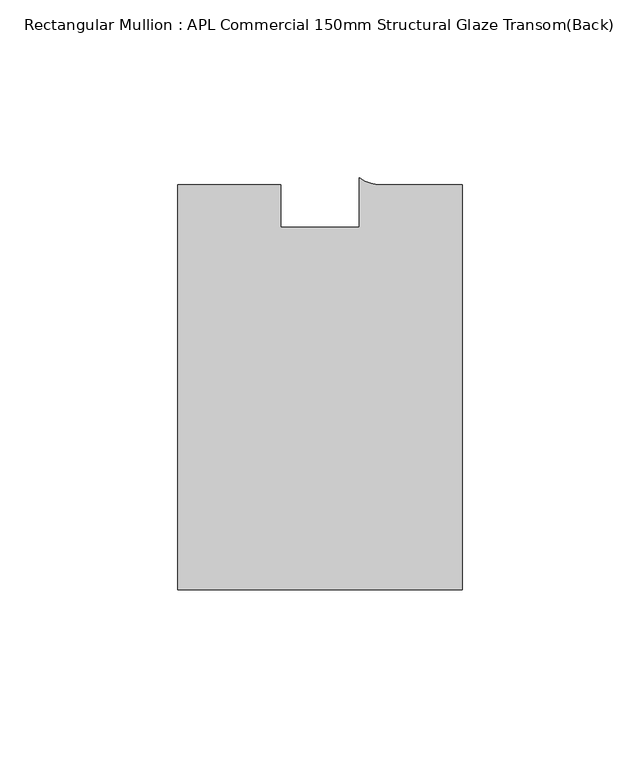
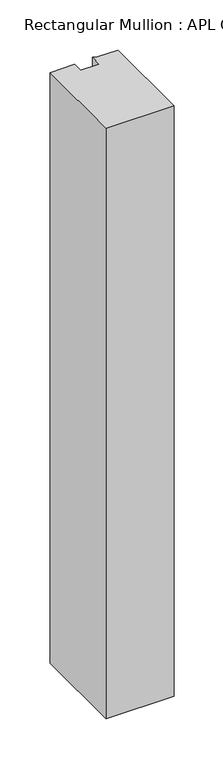
"""IFC4 building model written with IfcOpenShell, lengths in millimetres: member geometry, Rectangular Mullion : APL Commercial 150mm Structural Glaze Transom(Back)."""

from ifc_helpers import new_model, si_unit, point, frame, frame_2d, origin, place, context, project, spatial, polyline, circle_curve, trimmed, segment, composite_curve, outline, extrude, source, transform, mapped, element, save


def rectangular_mullion_apl_commercial_150mm_structural_glaze_0ca59d24(model_context):
    return source(origin(), model_context, "Body", "SweptSolid", [
        extrude(outline(composite_curve([segment(polyline([(40.0, -128.9999975), (-40.0, -128.9999975), (-40.0, -15.0000829), (-11.0000151, -15.0000829), (-11.0000151, -27.0), (11.0000151, -27.0), (11.0000151, -13.0673455)]), True, "CONTINUOUS"), segment(trimmed(circle_curve(frame_2d((17.1097719, -4.581653)), 10.4563907), [point((11.0000151, -13.0673455))], [point((17.9999542, -15.0000829))], True, "CARTESIAN"), True, "CONTINUOUS"), segment(polyline([(17.9999542, -15.0000829), (40.0, -15.0000829), (40.0, -128.9999975)]), True, "CONTINUOUS")], self_intersect=False)), frame((0.0, 0.0, -733.4594304), z_axis=(0.0, 0.0, 1.0), x_axis=(1.0, 0.0, 0.0)), (0.0, 0.0, 1.0), 733.4594304),
    ])


if __name__ == "__main__":
    model = new_model("IFC4")
    model_context = context("Model", 3, world=origin())
    ifc_project = project(units=[si_unit("LENGTHUNIT", "METRE", prefix="MILLI")], contexts=[model_context])
    site = spatial("IfcSite", under=ifc_project)
    building = spatial("IfcBuilding", under=site)
    placement = place(None, origin())
    rectangular_mullion_apl_commercial_150mm_structural_glaze_shape = rectangular_mullion_apl_commercial_150mm_structural_glaze_0ca59d24(model_context)
    element("IfcMember", 1, ObjectType="Rectangular Mullion : APL Commercial 150mm Structural Glaze Transom(Back)", at=placement, inside=building, context=model_context, shape_type="MappedRepresentation", body=[
        mapped(rectangular_mullion_apl_commercial_150mm_structural_glaze_shape, transform((0.0, 0.0, 0.0), x_axis=(1.0, 0.0, 0.0), y_axis=(0.0, 1.0, 0.0), z_axis=(0.0, 0.0, 1.0))),
    ])
    save(model, "model.ifc")
